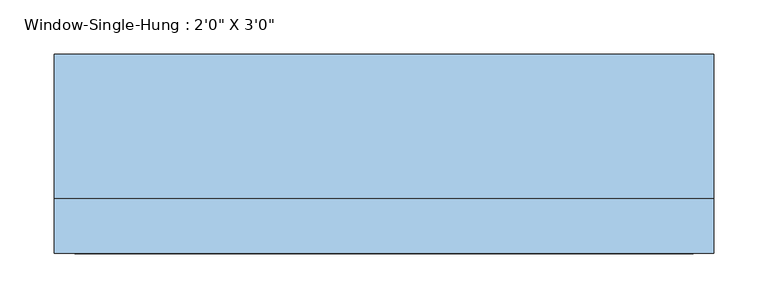
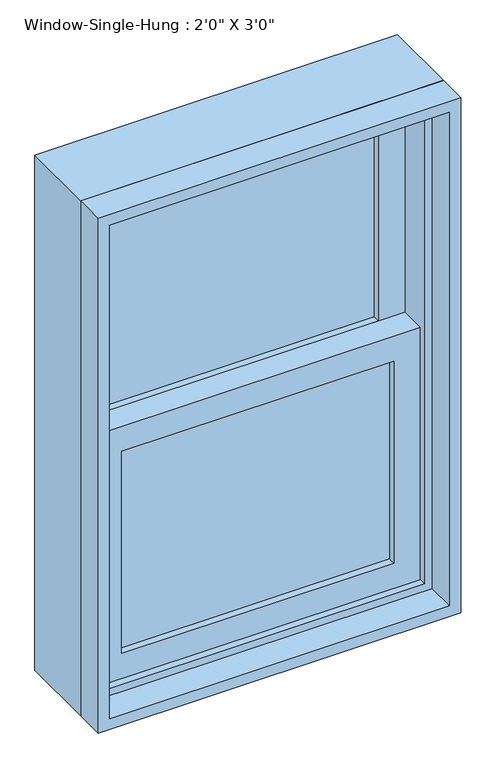
"""IFC4 building model written with IfcOpenShell, lengths in millimetres: window geometry."""

from ifc_helpers import new_model, si_unit, frame, origin, place, context, project, spatial, polyline, outline, extrude, source, transform, mapped, element, save


def window_040a5ceb(model_context):
    return source(origin(), model_context, "Body", "SweptSolid", [
        extrude(outline(polyline([(228.6, 12.7), (228.6, 6.35), (-228.6, 6.35), (-228.6, 12.7), (228.6, 12.7)])), frame((0.0, 0.0, 990.6), z_axis=(0.0, 0.0, 1.0), x_axis=(1.0, 0.0, 0.0)), (0.0, 0.0, 1.0), 358.775),
        extrude(outline(polyline([(-228.6, 0.0), (228.6, 0.0), (228.6, -6.35), (-228.6, -6.35), (-228.6, 0.0)])), frame((0.0, 0.0, 990.6), z_axis=(0.0, 0.0, 1.0), x_axis=(1.0, 0.0, 0.0)), (0.0, 0.0, 1.0), 358.775),
        extrude(outline(polyline([(228.6, 57.15), (228.6, 50.8), (-228.6, 50.8), (-228.6, 57.15), (228.6, 57.15)])), frame((0.0, 0.0, 1393.825), z_axis=(0.0, 0.0, 1.0), x_axis=(1.0, 0.0, 0.0)), (0.0, 0.0, 1.0), 358.775),
        extrude(outline(polyline([(-228.6, 44.45), (228.6, 44.45), (228.6, 38.1), (-228.6, 38.1), (-228.6, 44.45)])), frame((0.0, 0.0, 1393.825), z_axis=(0.0, 0.0, 1.0), x_axis=(1.0, 0.0, 0.0)), (0.0, 0.0, 1.0), 358.775),
        extrude(outline(polyline([(1393.825, -273.05), (946.15, -273.05), (946.15, 273.05), (1393.825, 273.05), (1393.825, -273.05)]), holes=[polyline([(1349.375, 228.6), (990.6, 228.6), (990.6, -228.6), (1349.375, -228.6), (1349.375, 228.6)])]), frame((0.0, -19.05, 0.0), z_axis=(0.0, 1.0, 0.0), x_axis=(0.0, 0.0, 1.0)), (0.0, 0.0, 1.0), 44.45),
        extrude(outline(polyline([(1797.05, -273.05), (1349.375, -273.05), (1349.375, 273.05), (1797.05, 273.05), (1797.05, -273.05)]), holes=[polyline([(1752.6, 228.6), (1393.825, 228.6), (1393.825, -228.6), (1752.6, -228.6), (1752.6, 228.6)])]), frame((0.0, 25.4, 0.0), z_axis=(0.0, 1.0, 0.0), x_axis=(0.0, 0.0, 1.0)), (0.0, 0.0, 1.0), 44.45),
        extrude(outline(polyline([(1828.8, -304.8), (914.4, -304.8), (914.4, 304.8), (1828.8, 304.8), (1828.8, -304.8)]), holes=[polyline([(1797.05, 273.05), (946.15, 273.05), (946.15, -273.05), (1797.05, -273.05), (1797.05, 273.05)])]), frame((0.0, -31.75, 0.0), z_axis=(0.0, 1.0, 0.0), x_axis=(0.0, 0.0, 1.0)), (0.0, 0.0, 1.0), 133.35),
        extrude(outline(polyline([(1828.8, 304.8), (1828.8, -304.8), (914.4, -304.8), (914.4, 304.8), (1828.8, 304.8)]), holes=[polyline([(1809.75, 285.75), (933.45, 285.75), (933.45, -285.75), (1809.75, -285.75), (1809.75, 285.75)])]), frame((0.0, -82.55, 0.0), z_axis=(0.0, 1.0, 0.0), x_axis=(0.0, 0.0, 1.0)), (0.0, 0.0, 1.0), 50.8),
    ])


if __name__ == "__main__":
    model = new_model("IFC4")
    model_context = context("Model", 3, world=origin())
    ifc_project = project(units=[si_unit("LENGTHUNIT", "METRE", prefix="MILLI")], contexts=[model_context])
    site = spatial("IfcSite", under=ifc_project)
    building = spatial("IfcBuilding", under=site)
    placement = place(None, origin())
    window_shape = window_040a5ceb(model_context)
    element("IfcWindow", 1, ObjectType="Window-Single-Hung : 2'0\" X 3'0\"", at=placement, inside=building, context=model_context, shape_type="MappedRepresentation", body=[
        mapped(window_shape, transform((0.0, 0.0, 0.0), x_axis=(1.0, 0.0, 0.0), y_axis=(0.0, 1.0, 0.0), z_axis=(0.0, 0.0, 1.0))),
    ])
    save(model, "model.ifc")
